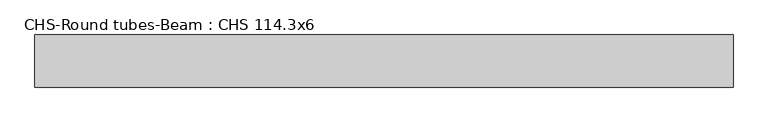
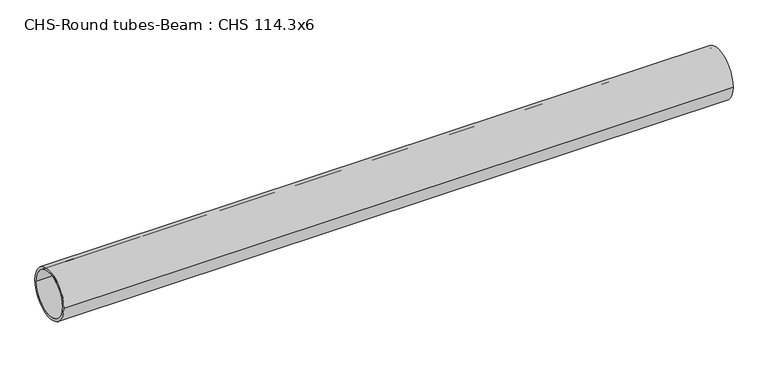
"""IFC4 building model written with IfcOpenShell, lengths in millimetres: beam geometry, CHS-Round tubes-Beam : CHS 114.3x6."""

from ifc_helpers import new_model, si_unit, point, frame, origin, origin_2d, place, context, project, spatial, circle_curve, trimmed, segment, composite_curve, outline, extrude, source, transform, mapped, element, save


def chs_round_tubes_beam_chs_114_3x6_14805ca3(model_context):
    return source(origin(), model_context, "Body", "SweptSolid", [
        extrude(outline(composite_curve([segment(trimmed(circle_curve(origin_2d(), 57.15), [point((57.15, 0.0))], [point((-57.15, 0.0))], False, "CARTESIAN"), True, "CONTINUOUS"), segment(trimmed(circle_curve(origin_2d(), 57.15), [point((-57.15, 0.0))], [point((57.15, 0.0))], False, "CARTESIAN"), True, "CONTINUOUS")], self_intersect=False), holes=[composite_curve([segment(trimmed(circle_curve(origin_2d(), 51.15), [point((51.15, 0.0))], [point((-51.15, 0.0))], True, "CARTESIAN"), True, "CONTINUOUS"), segment(trimmed(circle_curve(origin_2d(), 51.15), [point((-51.15, 0.0))], [point((51.15, 0.0))], True, "CARTESIAN"), True, "CONTINUOUS")], self_intersect=False)]), frame((-759.9597908, 0.0, 0.0), z_axis=(1.0, 0.0, 0.0), x_axis=(0.0, 1.0, 0.0)), (0.0, 0.0, 1.0), 1531.541276),
    ])


if __name__ == "__main__":
    model = new_model("IFC4")
    model_context = context("Model", 3, world=origin())
    ifc_project = project(units=[si_unit("LENGTHUNIT", "METRE", prefix="MILLI")], contexts=[model_context])
    site = spatial("IfcSite", under=ifc_project)
    building = spatial("IfcBuilding", under=site)
    placement = place(None, origin())
    chs_round_tubes_beam_chs_114_3x6_shape = chs_round_tubes_beam_chs_114_3x6_14805ca3(model_context)
    element("IfcBeam", 1, ObjectType="CHS-Round tubes-Beam : CHS 114.3x6", at=placement, inside=building, context=model_context, shape_type="MappedRepresentation", body=[
        mapped(chs_round_tubes_beam_chs_114_3x6_shape, transform((0.0, 0.0, 0.0), x_axis=(1.0, 0.0, 0.0), y_axis=(0.0, 1.0, 0.0), z_axis=(0.0, 0.0, 1.0))),
    ])
    save(model, "model.ifc")
